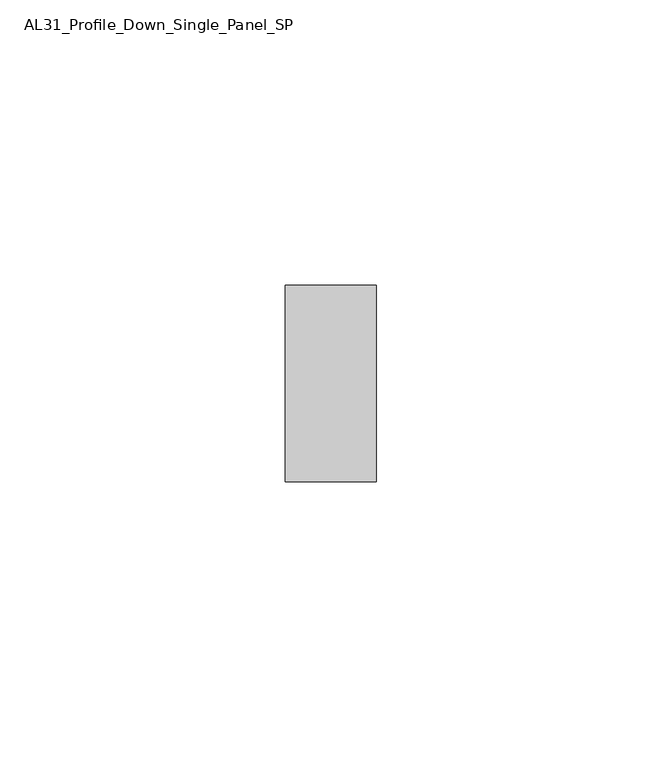
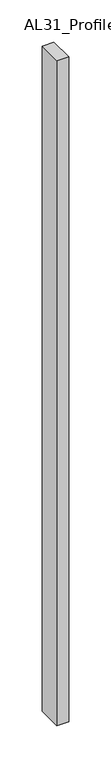
"""IFC4 building model written with IfcOpenShell, lengths in millimetres: member geometry, AL31_Profile_Down_Single_Panel_SP."""

from ifc_helpers import new_model, si_unit, frame, origin, place, context, project, spatial, polyline, outline, extrude, source, transform, mapped, element, save


def al31_profile_down_single_panel_sp_9982f065(model_context):
    return source(origin(), model_context, "Body", "SweptSolid", [
        extrude(outline(polyline([(0.0, -17.25), (-16.0, -17.25), (-16.0, 17.25), (0.0, 17.25), (0.0, -17.25)])), frame((0.0, 0.0, -960.3602632), z_axis=(0.0, 0.0, 1.0), x_axis=(1.0, 0.0, 0.0)), (0.0, 0.0, 1.0), 960.3602632),
    ])


if __name__ == "__main__":
    model = new_model("IFC4")
    model_context = context("Model", 3, world=origin())
    ifc_project = project(units=[si_unit("LENGTHUNIT", "METRE", prefix="MILLI")], contexts=[model_context])
    site = spatial("IfcSite", under=ifc_project)
    building = spatial("IfcBuilding", under=site)
    placement = place(None, origin())
    al31_profile_down_single_panel_sp_shape = al31_profile_down_single_panel_sp_9982f065(model_context)
    element("IfcMember", 1, ObjectType="AL31_Profile_Down_Single_Panel_SP", at=placement, inside=building, context=model_context, shape_type="MappedRepresentation", body=[
        mapped(al31_profile_down_single_panel_sp_shape, transform((0.0, 0.0, 0.0), x_axis=(1.0, 0.0, 0.0), y_axis=(0.0, 1.0, 0.0), z_axis=(0.0, 0.0, 1.0))),
    ])
    save(model, "model.ifc")
